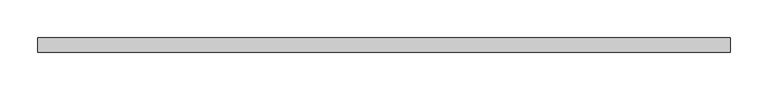
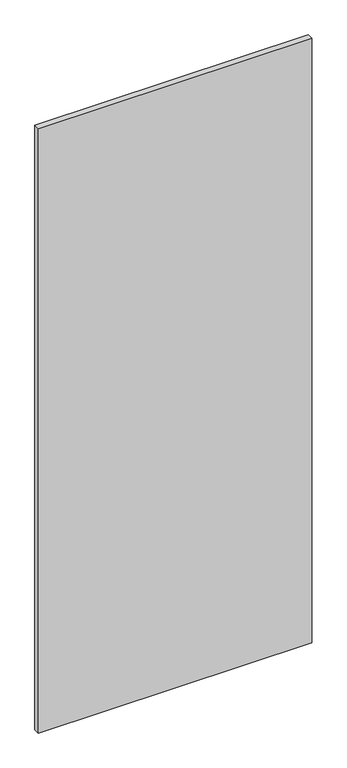
"""IFC4 building model written with IfcOpenShell, lengths in millimetres: proxy geometry."""

from ifc_helpers import new_model, si_unit, frame, origin, place, context, project, spatial, polyline, outline, extrude, source, transform, mapped, element, save


def specialty_equipment_893f857b(model_context):
    return source(origin(), model_context, "Body", "SweptSolid", [
        extrude(outline(polyline([(455.3204, -9.525), (-455.3204, -9.525), (-455.3204, 9.525), (455.3204, 9.525), (455.3204, -9.525)])), frame((0.0, 0.0, 3.175), z_axis=(0.0, 0.0, 1.0), x_axis=(1.0, 0.0, 0.0)), (0.0, 0.0, 1.0), 2127.25),
    ])


if __name__ == "__main__":
    model = new_model("IFC4")
    model_context = context("Model", 3, world=origin())
    ifc_project = project(units=[si_unit("LENGTHUNIT", "METRE", prefix="MILLI")], contexts=[model_context])
    site = spatial("IfcSite", under=ifc_project)
    building = spatial("IfcBuilding", under=site)
    placement = place(None, origin())
    specialty_equipment_shape = specialty_equipment_893f857b(model_context)
    element("IfcBuildingElementProxy", 1, Name="Specialty Equipment", at=placement, inside=building, context=model_context, shape_type="MappedRepresentation", body=[
        mapped(specialty_equipment_shape, transform((0.0, 0.0, 0.0), x_axis=(1.0, 0.0, 0.0), y_axis=(0.0, 1.0, 0.0), z_axis=(0.0, 0.0, 1.0))),
    ])
    save(model, "model.ifc")
